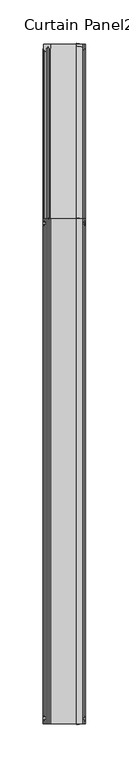
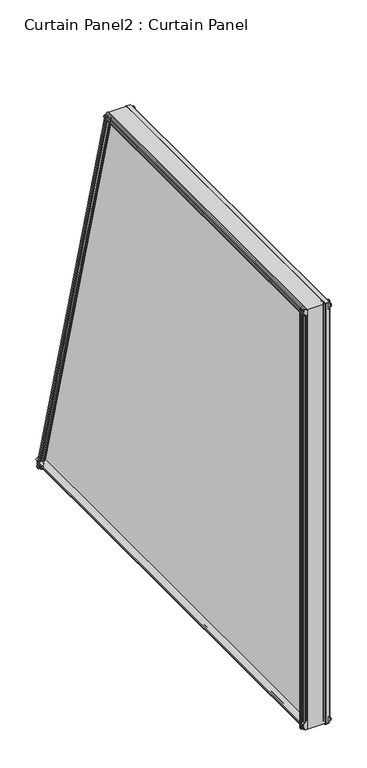
"""IFC4 building model written with IfcOpenShell, lengths in millimetres: plate geometry, Curtain Panel2 : Curtain Panel."""

from ifc_helpers import new_model, si_unit, point, frame, frame_2d, origin, place, context, project, spatial, polyline, circle_curve, trimmed, segment, composite_curve, outline, extrude, source, transform, mapped, element, save


def curtain_panel2_curtain_panel_3800b686(model_context):
    return source(origin(), model_context, "Body", "SweptSolid", [
        extrude(outline(polyline([(1632.4265255, -5186.9339704), (1636.7191255, -5186.9339704), (1637.2017255, -5184.2161704), (1635.6523255, -5184.4701704), (1635.6523255, -5183.6573704), (1637.9891255, -5183.2509704), (1640.3259255, -5183.6573704), (1640.3259255, -5184.4701704), (1638.7765255, -5184.2161704), (1639.2591255, -5186.9339704), (1643.5517255, -5186.9339704), (1644.7469498, -5193.6649704), (1631.2340255, -5193.6649704), (1632.4265255, -5186.9339704)])), frame((0.0, 5111.3187652, 0.0), z_axis=(0.0, 1.0, 0.0), x_axis=(0.0, 0.0, 1.0)), (0.0, 0.0, 1.0), 582.1867402),
        extrude(outline(composite_curve([segment(trimmed(circle_curve(frame_2d((1643.9511774, -5226.1896704)), 0.6604), [point((1643.9324518, -5225.529536))], [point((1643.972091, -5226.8497392))], False, "CARTESIAN"), True, "CONTINUOUS"), segment(polyline([(1643.972091, -5226.8497392), (1643.5701774, -5228.5645704), (1640.0649774, -5228.5645704), (1639.5823774, -5231.2823704), (1641.1317774, -5231.0283704), (1641.1317774, -5231.8411704), (1638.7949774, -5232.2475704), (1636.4581774, -5231.8411704), (1636.4581774, -5231.0283704), (1638.0075774, -5231.2823704), (1637.5249774, -5228.5645704), (1634.0197774, -5228.5645704), (1633.6178639, -5226.8497392)]), True, "CONTINUOUS"), segment(trimmed(circle_curve(frame_2d((1633.6387774, -5226.1896704)), 0.6604), [point((1633.6178639, -5226.8497392))], [point((1633.657503, -5225.529536))], False, "CARTESIAN"), True, "CONTINUOUS"), segment(polyline([(1633.657503, -5225.529536), (1634.0197774, -5223.8147704), (1643.5701774, -5223.8147704), (1643.9324518, -5225.529536)]), True, "CONTINUOUS")], self_intersect=False)), frame((0.0, 5111.3187652, 0.0), z_axis=(0.0, 1.0, 0.0), x_axis=(0.0, 0.0, 1.0)), (0.0, 0.0, 1.0), 582.1867402),
        extrude(outline(polyline([(903.529724, -5187.0401571), (904.7265299, -5193.7800642), (891.207718, -5193.7800642), (892.404524, -5187.0401571), (896.697124, -5187.0401571), (897.179724, -5184.3223571), (895.630324, -5184.5763571), (895.630324, -5183.7635571), (897.967124, -5183.3571571), (900.303924, -5183.7635571), (900.303924, -5184.5763571), (898.754524, -5184.3223571), (899.237124, -5187.0401571), (903.529724, -5187.0401571)])), frame((0.0, 5111.3187652, 0.0), z_axis=(0.0, 1.0, 0.0), x_axis=(0.0, 0.0, 1.0)), (0.0, 0.0, 1.0), 783.1839898),
        extrude(outline(composite_curve([segment(polyline([(896.0970148, -5223.8955571), (910.1158225, -5223.8955571)]), True, "CONTINUOUS"), segment(trimmed(circle_curve(frame_2d((917.6336153, -5235.4886514)), 13.8172734), [point((910.1158225, -5223.8955571))], [point((904.3052108, -5231.8457571))], True, "CARTESIAN"), True, "CONTINUOUS"), segment(polyline([(904.3052108, -5231.8457571), (904.3052108, -5229.4520558)]), True, "CONTINUOUS"), segment(trimmed(circle_curve(frame_2d((903.5169442, -5229.4520558)), 0.7882666), [point((904.3052108, -5229.4520558))], [point((903.5169442, -5228.6637892))], True, "CARTESIAN"), True, "CONTINUOUS"), segment(polyline([(903.5169442, -5228.6637892), (902.7304108, -5228.6637892), (902.7304108, -5230.2455571), (896.9228694, -5228.6707571), (896.0970148, -5228.6707571)]), True, "CONTINUOUS"), segment(trimmed(circle_curve(frame_2d((896.0970148, -5226.2831571)), 2.3876), [point((896.0970148, -5228.6707571))], [point((896.0970148, -5223.8955571))], False, "CARTESIAN"), True, "CONTINUOUS")], self_intersect=False)), frame((0.0, 5111.3187652, 0.0), z_axis=(0.0, 1.0, 0.0), x_axis=(0.0, 0.0, 1.0)), (0.0, 0.0, 1.0), 783.1839898),
        extrude(outline(composite_curve([segment(polyline([(-5184.2161704, 5117.6941652), (-5184.4701704, 5119.2435652), (-5183.6573704, 5119.2435652), (-5183.2509704, 5116.9067652), (-5183.6573704, 5114.5699652), (-5184.4701704, 5114.5699652), (-5184.2161704, 5116.1193652), (-5186.9339704, 5115.6367652), (-5186.9339704, 5111.3441652), (-5193.2917363, 5110.2177893)]), True, "CONTINUOUS"), segment(trimmed(circle_curve(frame_2d((-5193.3471752, 5110.5307116)), 0.3177952), [point((-5193.2917363, 5110.2177893))], [point((-5193.5503104, 5110.7751086))], False, "CARTESIAN"), True, "CONTINUOUS"), segment(polyline([(-5193.5503104, 5110.7751086), (-5191.5679464, 5112.4227877), (-5192.6997704, 5113.5031652)]), True, "CONTINUOUS"), segment(trimmed(circle_curve(frame_2d((-5192.6997704, 5114.3667652)), 0.8636), [point((-5192.6997704, 5113.5031652))], [point((-5192.6997704, 5115.2303652))], False, "CARTESIAN"), True, "CONTINUOUS"), segment(trimmed(circle_curve(frame_2d((-5191.7268836, 5116.9067652)), 1.9382533), [point((-5192.6997704, 5115.2303652))], [point((-5192.6997704, 5118.5831652))], False, "CARTESIAN"), True, "CONTINUOUS"), segment(trimmed(circle_curve(frame_2d((-5192.6997704, 5119.4467652)), 0.8636), [point((-5192.6997704, 5118.5831652))], [point((-5192.6997704, 5120.3103652))], False, "CARTESIAN"), True, "CONTINUOUS"), segment(polyline([(-5192.6997704, 5120.3103652), (-5191.5821704, 5121.4025652), (-5193.5503104, 5123.0384218)]), True, "CONTINUOUS"), segment(trimmed(circle_curve(frame_2d((-5193.3471752, 5123.2828188)), 0.3177952), [point((-5193.5503104, 5123.0384218))], [point((-5193.2917363, 5123.595741))], False, "CARTESIAN"), True, "CONTINUOUS"), segment(polyline([(-5193.2917363, 5123.595741), (-5186.9339704, 5122.4693652), (-5186.9339704, 5118.1767652), (-5184.2161704, 5117.6941652)]), True, "CONTINUOUS")], self_intersect=False)), frame((0.0, 0.0, 893.4148127), z_axis=(0.0, 0.0, 1.0), x_axis=(1.0, 0.0, 0.0)), (0.0, 0.0, 1.0), 750.1319477),
        extrude(outline(composite_curve([segment(polyline([(-5228.5645704, 5122.4439652), (-5226.8497392, 5122.8458787)]), True, "CONTINUOUS"), segment(trimmed(circle_curve(frame_2d((-5226.1896704, 5122.8249652)), 0.6604), [point((-5226.8497392, 5122.8458787))], [point((-5225.529536, 5122.8062396))], False, "CARTESIAN"), True, "CONTINUOUS"), segment(polyline([(-5225.529536, 5122.8062396), (-5223.8147704, 5122.4439652), (-5223.8147704, 5112.8935652), (-5225.529536, 5112.5312908)]), True, "CONTINUOUS"), segment(trimmed(circle_curve(frame_2d((-5226.1896704, 5112.5125652)), 0.6604), [point((-5225.529536, 5112.5312908))], [point((-5226.8497392, 5112.4916516))], False, "CARTESIAN"), True, "CONTINUOUS"), segment(polyline([(-5226.8497392, 5112.4916516), (-5228.5645704, 5112.8935652), (-5228.5645704, 5116.3987652), (-5231.2823704, 5116.8813652), (-5231.0283704, 5115.3319652), (-5231.8411704, 5115.3319652), (-5232.2475704, 5117.6687652), (-5231.8411704, 5120.0055652), (-5231.0283704, 5120.0055652), (-5231.2823704, 5118.4561652), (-5228.5645704, 5118.9387652), (-5228.5645704, 5122.4439652)]), True, "CONTINUOUS")], self_intersect=False)), frame((0.0, 0.0, 893.4148127), z_axis=(0.0, 0.0, 1.0), x_axis=(1.0, 0.0, 0.0)), (0.0, 0.0, 1.0), 750.1319477),
        extrude(outline(composite_curve([segment(polyline([(7.479201, 4.829525), (4.7371, 4.3460186), (4.7371, 0.8128034), (3.0224327, 0.4169412)]), True, "CONTINUOUS"), segment(trimmed(circle_curve(frame_2d((2.3622, 0.4318037)), 0.6604), [point((3.0224327, 0.4169412))], [point((1.7020655, 0.4505292))], False, "CARTESIAN"), True, "CONTINUOUS"), segment(polyline([(1.7020655, 0.4505292), (-0.0127, 0.8128034), (-0.0127, 10.3631967), (1.7020655, 10.7254709)]), True, "CONTINUOUS"), segment(trimmed(circle_curve(frame_2d((2.3622, 10.7441964)), 0.6604), [point((1.7020655, 10.7254709))], [point((3.0224327, 10.7590588))], False, "CARTESIAN"), True, "CONTINUOUS"), segment(polyline([(3.0224327, 10.7590588), (4.7371, 10.3631967), (4.7371, 6.8579992), (7.4549, 6.3753995), (7.2009, 7.9247983), (8.0137, 7.9247983), (8.4201, 5.5880001), (8.0137, 3.2512017), (7.2009, 3.2512017), (7.479201, 4.829525)]), True, "CONTINUOUS")], self_intersect=False)), frame((-5223.9425642, 5894.502755, 893.4148127), z_axis=(0.0, -0.25881904510252635, 0.9659258262890668), x_axis=(-1.0, 0.0, 0.0)), (0.0, 0.0, 1.0), 776.5937377),
        extrude(outline(polyline([(-39.635601, 4.829525), (-39.3573, 3.2512017), (-40.1701, 3.2512017), (-40.5765, 5.5880001), (-40.1701, 7.9247983), (-39.3573, 7.9247983), (-39.6113, 6.3753995), (-36.8935, 6.8579992), (-36.8935, 11.1123369), (-30.2006, 12.3007949), (-30.2006, -1.1639795), (-36.8935, 3.9e-06), (-36.8935, 4.3460186), (-39.635601, 4.829525)])), frame((-5223.9425642, 5894.502755, 893.4148127), z_axis=(0.0, -0.25881904510252635, 0.9659258262890668), x_axis=(-1.0, 0.0, 0.0)), (0.0, 0.0, 1.0), 776.5937377),
        extrude(outline(polyline([(5111.3187652, 893.4148127), (5111.3187652, 1643.5467604), (5693.5055053, 1643.5467604), (5894.502755, 893.4148127), (5111.3187652, 893.4148127)])), frame((-5223.9425642, 0.0, 0.0), z_axis=(1.0, 0.0, 0.0), x_axis=(0.0, 1.0, 0.0)), (0.0, 0.0, 1.0), 30.1625),
    ])


if __name__ == "__main__":
    model = new_model("IFC4")
    model_context = context("Model", 3, world=origin())
    ifc_project = project(units=[si_unit("LENGTHUNIT", "METRE", prefix="MILLI")], contexts=[model_context])
    site = spatial("IfcSite", under=ifc_project)
    building = spatial("IfcBuilding", under=site)
    placement = place(None, origin())
    curtain_panel2_curtain_panel_shape = curtain_panel2_curtain_panel_3800b686(model_context)
    element("IfcPlate", 1, ObjectType="Curtain Panel2 : Curtain Panel", at=placement, inside=building, context=model_context, shape_type="MappedRepresentation", body=[
        mapped(curtain_panel2_curtain_panel_shape, transform((0.0, 0.0, 0.0), x_axis=(1.0, 0.0, 0.0), y_axis=(0.0, 1.0, 0.0), z_axis=(0.0, 0.0, 1.0))),
    ])
    save(model, "model.ifc")
